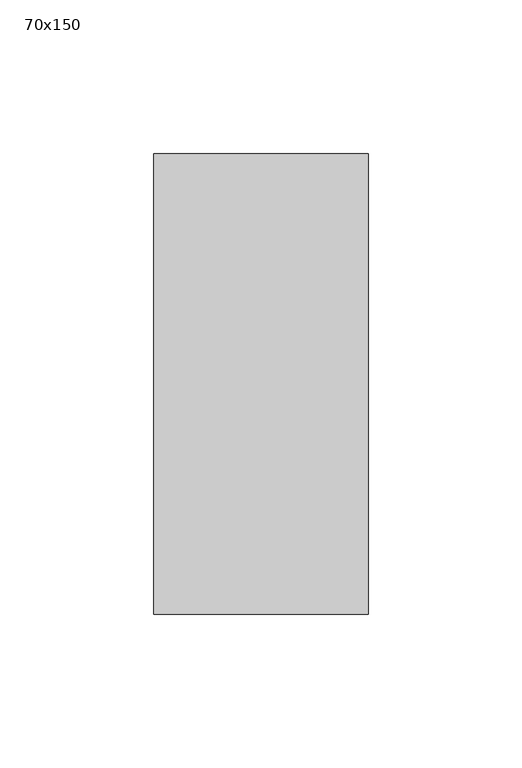
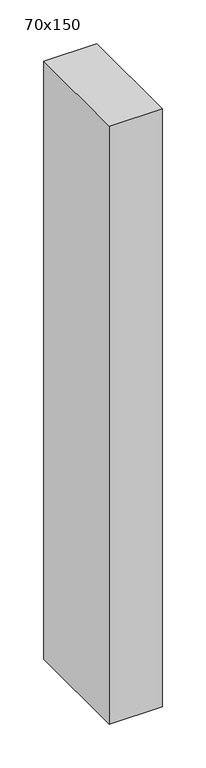
"""IFC4 building model written with IfcOpenShell, lengths in millimetres: member geometry, 70x150."""

from ifc_helpers import new_model, si_unit, frame, origin, place, context, project, spatial, polyline, outline, extrude, source, transform, mapped, element, save


def member_70x150_3043e185(model_context):
    return source(origin(), model_context, "Body", "SweptSolid", [
        extrude(outline(polyline([(0.0, 75.0), (0.0, -75.0), (-70.0, -75.0), (-70.0, 75.0), (0.0, 75.0)])), frame((0.0, 0.0, -835.0), z_axis=(0.0, 0.0, 1.0), x_axis=(1.0, 0.0, 0.0)), (0.0, 0.0, 1.0), 835.0),
    ])


if __name__ == "__main__":
    model = new_model("IFC4")
    model_context = context("Model", 3, world=origin())
    ifc_project = project(units=[si_unit("LENGTHUNIT", "METRE", prefix="MILLI")], contexts=[model_context])
    site = spatial("IfcSite", under=ifc_project)
    building = spatial("IfcBuilding", under=site)
    placement = place(None, origin())
    member_70x150_shape = member_70x150_3043e185(model_context)
    element("IfcMember", 1, ObjectType="70x150", at=placement, inside=building, context=model_context, shape_type="MappedRepresentation", body=[
        mapped(member_70x150_shape, transform((0.0, 0.0, 0.0), x_axis=(1.0, 0.0, 0.0), y_axis=(0.0, 1.0, 0.0), z_axis=(0.0, 0.0, 1.0))),
    ])
    save(model, "model.ifc")
